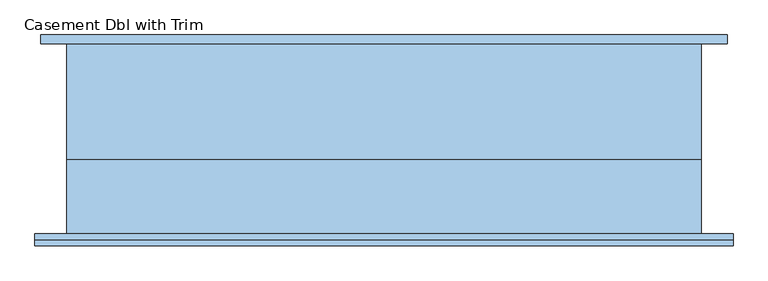
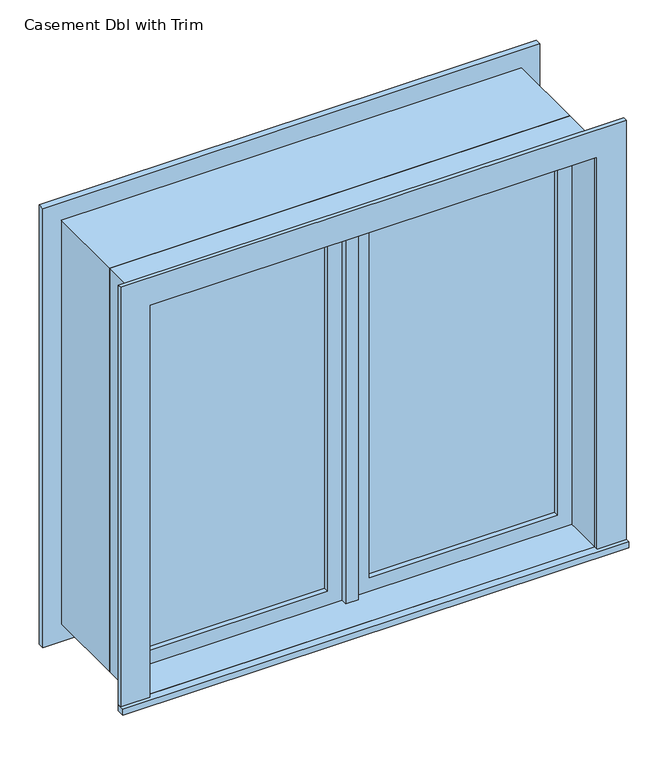
"""IFC4 building model written with IfcOpenShell, lengths in millimetres: window geometry, Casement Dbl with Trim."""

from ifc_helpers import new_model, si_unit, frame, origin, place, context, project, spatial, polyline, outline, extrude, source, transform, mapped, element, save


def casement_dbl_with_trim_6891d5a8(model_context):
    return source(origin(), model_context, "Body", "SweptSolid", [
        extrude(outline(polyline([(63.5, -93.175), (63.5, -80.475), (636.5, -80.475), (636.5, -93.175), (63.5, -93.175)])), frame((0.0, 0.0, 977.9), z_axis=(0.0, 0.0, 1.0), x_axis=(1.0, 0.0, 0.0)), (0.0, 0.0, 1.0), 1173.0),
        extrude(outline(polyline([(2195.35, 19.05), (933.45, 19.05), (933.45, 680.95), (2195.35, 680.95), (2195.35, 19.05)]), holes=[polyline([(2150.9, 63.5), (2150.9, 636.5), (977.9, 636.5), (977.9, 63.5), (2150.9, 63.5)])]), frame((0.0, -109.05, 0.0), z_axis=(0.0, 1.0, 0.0), x_axis=(0.0, 0.0, 1.0)), (0.0, 0.0, 1.0), 44.45),
        extrude(outline(polyline([(19.05, -64.6), (19.05, -128.1), (-19.05, -128.1), (-19.05, -64.6), (19.05, -64.6)])), frame((0.0, 0.0, 933.45), z_axis=(0.0, 0.0, 1.0), x_axis=(1.0, 0.0, 0.0)), (0.0, 0.0, 1.0), 1261.9),
        extrude(outline(polyline([(-769.85, -254.45), (-769.85, -229.05), (769.85, -229.05), (769.85, -254.45), (-769.85, -254.45)])), frame((0.0, 0.0, 914.4), z_axis=(0.0, 0.0, 1.0), x_axis=(1.0, 0.0, 0.0)), (0.0, 0.0, 1.0), 19.05),
        extrude(outline(polyline([(2195.35, -680.95), (2195.35, 680.95), (933.45, 680.95), (933.45, 769.85), (2284.25, 769.85), (2284.25, -769.85), (933.45, -769.85), (933.45, -680.95), (2195.35, -680.95)])), frame((0.0, -241.75, 0.0), z_axis=(0.0, 1.0, 0.0), x_axis=(0.0, 0.0, 1.0)), (0.0, 0.0, 1.0), 12.7),
        extrude(outline(polyline([(2271.55, 757.15), (2271.55, -757.15), (857.25, -757.15), (857.25, 757.15), (2271.55, 757.15)]), holes=[polyline([(2182.65, 668.25), (946.15, 668.25), (946.15, -668.25), (2182.65, -668.25), (2182.65, 668.25)])]), frame((0.0, 190.95, 0.0), z_axis=(0.0, 1.0, 0.0), x_axis=(0.0, 0.0, 1.0)), (0.0, 0.0, 1.0), 19.05),
        extrude(outline(polyline([(-63.5, -80.475), (-63.5, -93.175), (-636.5, -93.175), (-636.5, -80.475), (-63.5, -80.475)])), frame((0.0, 0.0, 977.9), z_axis=(0.0, 0.0, 1.0), x_axis=(1.0, 0.0, 0.0)), (0.0, 0.0, 1.0), 1173.0),
        extrude(outline(polyline([(2195.35, -680.95), (933.45, -680.95), (933.45, -19.05), (2195.35, -19.05), (2195.35, -680.95)]), holes=[polyline([(2150.9, -636.5), (2150.9, -63.5), (977.9, -63.5), (977.9, -636.5), (2150.9, -636.5)])]), frame((0.0, -109.05, 0.0), z_axis=(0.0, 1.0, 0.0), x_axis=(0.0, 0.0, 1.0)), (0.0, 0.0, 1.0), 44.45),
        extrude(outline(polyline([(2214.4, -700.0), (914.4, -700.0), (914.4, 700.0), (2214.4, 700.0), (2214.4, -700.0)]), holes=[polyline([(2182.65, -668.25), (2182.65, 668.25), (946.15, 668.25), (946.15, -668.25), (2182.65, -668.25)])]), frame((0.0, -64.6, 0.0), z_axis=(0.0, 1.0, 0.0), x_axis=(0.0, 0.0, 1.0)), (0.0, 0.0, 1.0), 255.55),
        extrude(outline(polyline([(2214.4, 700.0), (2214.4, -700.0), (914.4, -700.0), (914.4, 700.0), (2214.4, 700.0)]), holes=[polyline([(2195.35, 680.95), (933.45, 680.95), (933.45, -680.95), (2195.35, -680.95), (2195.35, 680.95)])]), frame((0.0, -229.05, 0.0), z_axis=(0.0, 1.0, 0.0), x_axis=(0.0, 0.0, 1.0)), (0.0, 0.0, 1.0), 164.45),
    ])


if __name__ == "__main__":
    model = new_model("IFC4")
    model_context = context("Model", 3, world=origin())
    ifc_project = project(units=[si_unit("LENGTHUNIT", "METRE", prefix="MILLI")], contexts=[model_context])
    site = spatial("IfcSite", under=ifc_project)
    building = spatial("IfcBuilding", under=site)
    placement = place(None, origin())
    casement_dbl_with_trim_shape = casement_dbl_with_trim_6891d5a8(model_context)
    element("IfcWindow", 1, ObjectType="Casement Dbl with Trim", at=placement, inside=building, context=model_context, shape_type="MappedRepresentation", body=[
        mapped(casement_dbl_with_trim_shape, transform((0.0, 0.0, 0.0), x_axis=(1.0, 0.0, 0.0), y_axis=(0.0, 1.0, 0.0), z_axis=(0.0, 0.0, 1.0))),
    ])
    save(model, "model.ifc")
